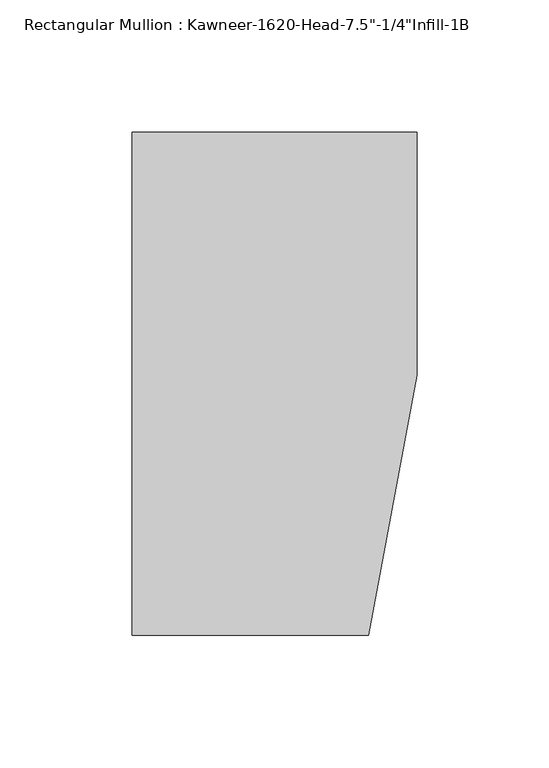
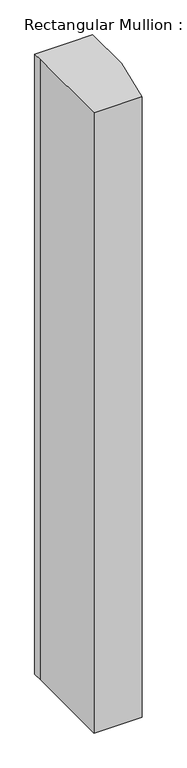
"""IFC4 building model written with IfcOpenShell, lengths in millimetres: member geometry."""

from ifc_helpers import new_model, si_unit, frame, origin, place, context, project, spatial, polyline, outline, extrude, source, transform, mapped, element, save


def member_7c5b3f39(model_context):
    return source(origin(), model_context, "Body", "SweptSolid", [
        extrude(outline(polyline([(-107.95, 10.3845466), (-107.95, 28.575), (-44.1519366, 28.575), (0.0, 28.575), (0.0, -63.5), (-18.3538271, -161.925), (-107.95, -161.925), (-107.95, 10.3845466)])), frame((0.0, 0.0, -1219.2), z_axis=(0.0, 0.0, 1.0), x_axis=(1.0, 0.0, 0.0)), (0.0, 0.0, 1.0), 1219.2),
    ])


if __name__ == "__main__":
    model = new_model("IFC4")
    model_context = context("Model", 3, world=origin())
    ifc_project = project(units=[si_unit("LENGTHUNIT", "METRE", prefix="MILLI")], contexts=[model_context])
    site = spatial("IfcSite", under=ifc_project)
    building = spatial("IfcBuilding", under=site)
    placement = place(None, origin())
    member_shape = member_7c5b3f39(model_context)
    element("IfcMember", 1, ObjectType="Rectangular Mullion : Kawneer-1620-Head-7.5\"-1/4\"Infill-1B", at=placement, inside=building, context=model_context, shape_type="MappedRepresentation", body=[
        mapped(member_shape, transform((0.0, 0.0, 0.0), x_axis=(1.0, 0.0, 0.0), y_axis=(0.0, 1.0, 0.0), z_axis=(0.0, 0.0, 1.0))),
    ])
    save(model, "model.ifc")
